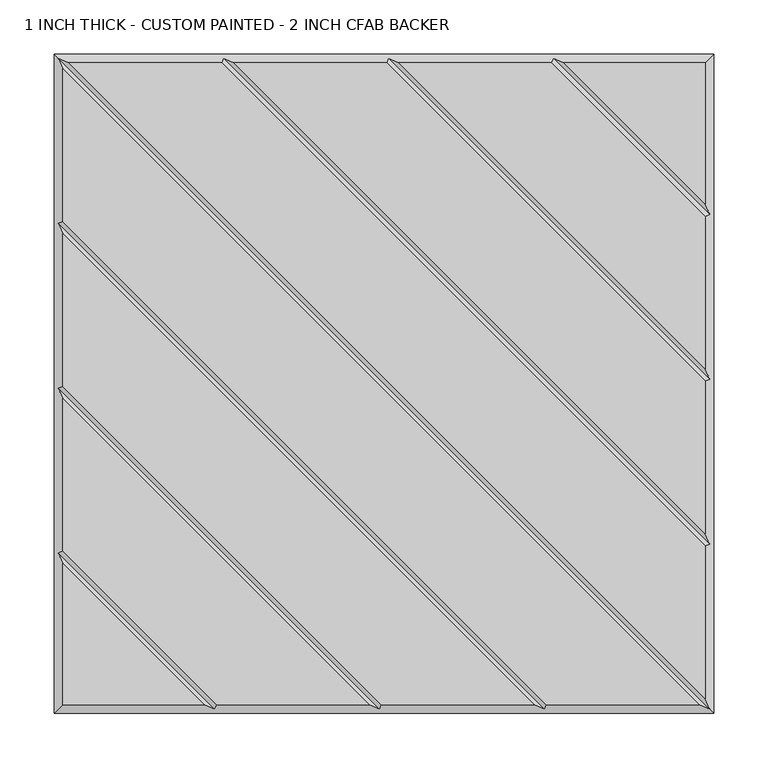
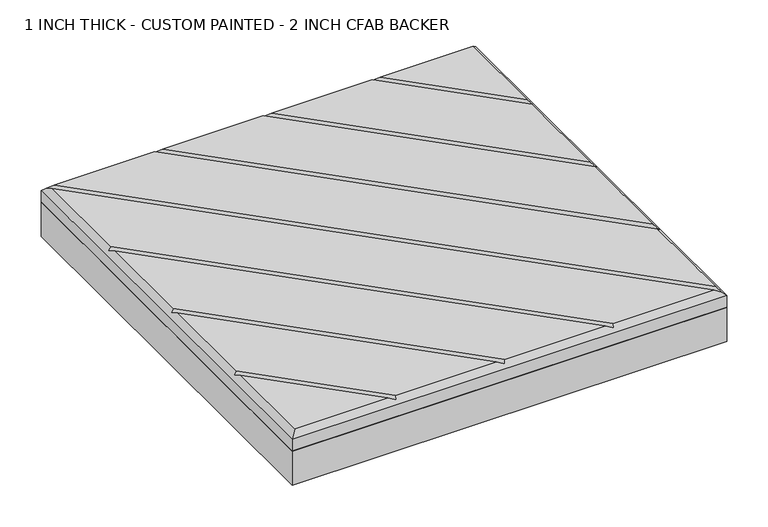
"""IFC4 building model written with IfcOpenShell, lengths in millimetres: proxy geometry, 1 INCH THICK - CUSTOM PAINTED - 2 INCH CFAB BACKER."""

import ifcopenshell
import ifcopenshell.guid

model = None  # the IFC model being written
_history = None  # IfcOwnerHistory: only IFC2X3 demands one
_inside = {}  # id of a spatial element -> (the spatial element, [elements in it])
_under = {}  # id of a project, library or spatial element -> (it, [spatial elements below it])
_declared = {}  # id of a project -> (the project, [libraries it declares])
_typed = {}  # id of a type object -> (the type object, [elements of that type])
_made_of = {}  # id of a material, layer set ... -> (it, [elements and type objects made of it])


def new_model(schema):
    """Start an empty IFC model of exactly this schema.

    Asked for "IFC4X3", IfcOpenShell would pick the latest addendum, in which some entities
    have other attributes; the version numbers below select the first issue.
    IFC2X3 requires an IfcOwnerHistory on every rooted entity: one is made here for all.
    """
    global model, _history
    if schema == "IFC4X3":
        model = ifcopenshell.file(schema_version=(4, 3, 0, 0))
    else:
        model = ifcopenshell.file(schema=schema)
    _inside.clear()
    _under.clear()
    _declared.clear()
    _typed.clear()
    _made_of.clear()
    _history = None
    if model.schema == "IFC2X3":
        org = make("IfcOrganization", Name="unknown")
        user = make(
            "IfcPersonAndOrganization",
            ThePerson=make("IfcPerson", FamilyName="unknown"),
            TheOrganization=org,
        )
        app = make(
            "IfcApplication",
            ApplicationDeveloper=org,
            Version="unknown",
            ApplicationFullName="unknown",
            ApplicationIdentifier="unknown",
        )
        _history = make(
            "IfcOwnerHistory",
            OwningUser=user,
            OwningApplication=app,
            ChangeAction="ADDED",
            CreationDate=0,
        )
    return model


def make(cls, **values):
    """One entity of the class cls with the attributes given. An attribute that is None is left unset."""
    return model.create_entity(
        cls, **{name: value for name, value in values.items() if value is not None}
    )


def rooted(cls, **values):
    """An entity with a GlobalId (a new one), such as an element, a storey or a relation."""
    return make(cls, GlobalId=ifcopenshell.guid.new(), OwnerHistory=_history, **values)


def si_unit(unit_type, name, prefix=None):
    """IfcSIUnit, for example si_unit("LENGTHUNIT", "METRE", prefix="MILLI")."""
    return make("IfcSIUnit", UnitType=unit_type, Prefix=prefix, Name=name)


def assignment(units):
    """IfcUnitAssignment: the units of a project."""
    return None if units is None else make("IfcUnitAssignment", Units=units)


def point(xyz):
    """IfcCartesianPoint."""
    return None if xyz is None else make("IfcCartesianPoint", Coordinates=xyz)


def direction(xyz):
    """IfcDirection."""
    return None if xyz is None else make("IfcDirection", DirectionRatios=xyz)


def frame(location, z_axis=None, x_axis=None):
    """IfcAxis2Placement3D, a coordinate frame: its origin and axes. An axis left out is left unset."""
    return make(
        "IfcAxis2Placement3D",
        Location=point(location),
        Axis=direction(z_axis),
        RefDirection=direction(x_axis),
    )


def origin():
    """The frame at (0, 0, 0) with its axes left unset."""
    return frame((0.0, 0.0, 0.0))


def place(relative_to, where):
    """IfcLocalPlacement: puts the frame where relative to a parent placement (None: the world)."""
    return make(
        "IfcLocalPlacement", PlacementRelTo=relative_to, RelativePlacement=where
    )


def context(
    kind, dimensions, precision=None, world=None, true_north=None, identifier=None
):
    """IfcGeometricRepresentationContext, for example the 3D "Model" context."""
    return make(
        "IfcGeometricRepresentationContext",
        ContextIdentifier=identifier,
        ContextType=kind,
        CoordinateSpaceDimension=dimensions,
        Precision=precision,
        WorldCoordinateSystem=world,
        TrueNorth=true_north,
    )


def project(units=None, contexts=None):
    """IfcProject with its units and contexts."""
    return rooted(
        "IfcProject",
        Name="project",
        RepresentationContexts=contexts,
        UnitsInContext=assignment(units),
    )


def spatial(cls, under=None, at=None, **own):
    """A site, building, storey or space (cls), placed at a placement, below another one or the project."""
    s = rooted(cls, ObjectPlacement=at, **own)
    if under is not None:
        _under.setdefault(under.id(), (under, []))[1].append(s)
    return s


def polyline(points):
    """IfcPolyline through the points."""
    return make("IfcPolyline", Points=[point(p) for p in points])


def outline(outer, holes=None, kind="AREA"):
    """IfcArbitraryClosedProfileDef: a profile drawn as a closed curve; with holes, ...WithVoids."""
    if holes is None:
        return make("IfcArbitraryClosedProfileDef", ProfileType=kind, OuterCurve=outer)
    return make(
        "IfcArbitraryProfileDefWithVoids",
        ProfileType=kind,
        OuterCurve=outer,
        InnerCurves=holes,
    )


def extrude(swept, where, along, depth):
    """IfcExtrudedAreaSolid: the profile swept, set in the frame where, extruded along a direction by depth."""
    return make(
        "IfcExtrudedAreaSolid",
        SweptArea=swept,
        Position=where,
        ExtrudedDirection=direction(along),
        Depth=depth,
    )


def faces_of(points, faces, orient=None, outer=None):
    """IfcFace entities. A face is a list of loops; a loop is a list of indices into points, from 0.

    orient and outer hold one flag for each loop. By default every Orientation is true, the
    first loop of a face is its IfcFaceOuterBound and the others are IfcFaceBound.
    """
    made = []
    for i, loops in enumerate(faces):
        bounds = []
        for j, loop in enumerate(loops):
            is_outer = j == 0 if outer is None else outer[i][j]
            bounds.append(
                make(
                    "IfcFaceOuterBound" if is_outer else "IfcFaceBound",
                    Bound=make("IfcPolyLoop", Polygon=[points[k] for k in loop]),
                    Orientation=True if orient is None else orient[i][j],
                )
            )
        made.append(make("IfcFace", Bounds=bounds))
    return made


def faceted_brep(points, faces, orient=None, outer=None, voids=None):
    """IfcFacetedBrep: a solid bounded by flat faces; with voids (closed shells), ...WithVoids."""
    shared = [point(p) for p in points]
    hull = make("IfcClosedShell", CfsFaces=faces_of(shared, faces, orient, outer))
    if voids is None:
        return make("IfcFacetedBrep", Outer=hull)
    return make(
        "IfcFacetedBrepWithVoids",
        Outer=hull,
        Voids=[
            make(cls, CfsFaces=faces_of(shared, fs, o, b)) for cls, fs, o, b in voids
        ],
    )


def shape(context_of_items, identifier, shape_type, items):
    """IfcShapeRepresentation: the items that make up one representation, for example the "Body"."""
    return make(
        "IfcShapeRepresentation",
        ContextOfItems=context_of_items,
        RepresentationIdentifier=identifier,
        RepresentationType=shape_type,
        Items=items,
    )


def source(mapping_origin, context_of_items, identifier, shape_type, items):
    """IfcRepresentationMap: a shape defined once, which mapped items show again and again."""
    return make(
        "IfcRepresentationMap",
        MappingOrigin=mapping_origin,
        MappedRepresentation=shape(context_of_items, identifier, shape_type, items),
    )


def transform(
    local_origin,
    x_axis=None,
    y_axis=None,
    z_axis=None,
    scale=None,
    scale2=None,
    scale3=None,
    uniform=True,
):
    """IfcCartesianTransformationOperator3D, or its non-uniform kind. x_axis, y_axis, z_axis: its Axis1, 2, 3."""
    if uniform:
        return make(
            "IfcCartesianTransformationOperator3D",
            Axis1=direction(x_axis),
            Axis2=direction(y_axis),
            LocalOrigin=point(local_origin),
            Scale=scale,
            Axis3=direction(z_axis),
        )
    return make(
        "IfcCartesianTransformationOperator3DnonUniform",
        Axis1=direction(x_axis),
        Axis2=direction(y_axis),
        LocalOrigin=point(local_origin),
        Scale=scale,
        Axis3=direction(z_axis),
        Scale2=scale2,
        Scale3=scale3,
    )


def mapped(mapping_source, mapping_target):
    """IfcMappedItem: shows the shape of a source again, moved by a transform."""
    return make(
        "IfcMappedItem", MappingSource=mapping_source, MappingTarget=mapping_target
    )


def made_of(thing, what):
    """Note that an element or type object is made of a material, layer set ...; save() writes the relation."""
    if what is not None:
        _made_of.setdefault(what.id(), (what, []))[1].append(thing)
    return thing


def element(
    cls,
    number,
    at=None,
    inside=None,
    cuts=None,
    type_object=None,
    material=None,
    context=None,
    identifier="Body",
    shape_type=None,
    held_by="IfcProductDefinitionShape",
    body=None,
    shapes=None,
    **own,
):
    """One element of the class cls, such as IfcWall. Its Tag is "e" and its number.

    at: its placement. inside: the storey or other place that contains it. cuts: it is an
    opening in that element (IfcRelVoidsElement). A single representation is given by context,
    identifier, shape_type and body (its items); several are given by shapes. held_by: the class
    of the entity that holds the representations. save() writes the other relations.
    """
    e = rooted(cls, Tag="e%d" % number, ObjectPlacement=at, **own)
    if body is not None:
        shapes = [shape(context, identifier, shape_type, body)]
    if shapes is not None:
        e.Representation = make(held_by, Representations=shapes)
    if inside is not None:
        _inside.setdefault(inside.id(), (inside, []))[1].append(e)
    if cuts is not None:
        rooted(
            "IfcRelVoidsElement", RelatingBuildingElement=cuts, RelatedOpeningElement=e
        )
    if type_object is not None:
        _typed.setdefault(type_object.id(), (type_object, []))[1].append(e)
    return made_of(e, material)


def aggregate(whole, parts):
    """IfcRelAggregates: a whole, such as a stair, and the parts it consists of."""
    return rooted("IfcRelAggregates", RelatingObject=whole, RelatedObjects=parts)


def save(model, path):
    """Write the relations noted so far, then the file.

    IfcRelAggregates (storeys below a building ...), IfcRelContainedInSpatialStructure (elements
    in a storey), IfcRelDefinesByType, IfcRelAssociatesMaterial and IfcRelDeclares: one each for
    every whole, place, type object, material and project.
    """
    for whole, parts in _under.values():
        aggregate(whole, parts)
    for where, things in _inside.values():
        rooted(
            "IfcRelContainedInSpatialStructure",
            RelatedElements=things,
            RelatingStructure=where,
        )
    for kind, things in _typed.values():
        rooted("IfcRelDefinesByType", RelatedObjects=things, RelatingType=kind)
    for what, things in _made_of.values():
        rooted("IfcRelAssociatesMaterial", RelatedObjects=things, RelatingMaterial=what)
    for by, libraries in _declared.values():
        rooted("IfcRelDeclares", RelatingContext=by, RelatedDefinitions=libraries)
    model.write(path)


def proxy_1_inch_thick_custom_painted_2_inch_cfab_backer_6645e7d0(model_context):
    return source(origin(), model_context, "Body", "SolidModel", [
        extrude(outline(polyline([(-304.8, 304.8), (304.8, 304.8), (304.8, -304.8), (-304.8, -304.8), (-304.8, 304.8)])), frame((0.0, 0.0, -50.8), z_axis=(0.0, 0.0, 1.0), x_axis=(1.0, 0.0, 0.0)), (0.0, 0.0, 1.0), 50.8),
        faceted_brep([(-291.1414386, 296.799, 25.4), (296.799, -291.1414386, 25.4), (296.799, -150.0565868, 25.4), (-150.0565868, 296.799, 25.4), (291.1414386, -296.799, 25.4), (-296.799, 291.1414386, 25.4), (-296.799, 150.0565868, 25.4), (150.0565868, -296.799, 25.4), (138.741464, -296.799, 25.4), (-296.799, 138.741464, 25.4), (-296.799, -2.3434132, 25.4), (-2.3434132, -296.799, 25.4), (-13.658536, -296.799, 25.4), (-296.799, -13.658536, 25.4), (-296.799, -154.7434132, 25.4), (-154.7434132, -296.799, 25.4), (-296.799, -166.058536, 25.4), (-296.799, -296.799, 25.4), (-166.058536, -296.799, 25.4), (-138.741464, 296.799, 25.4), (296.799, -138.741464, 25.4), (296.799, 2.3434132, 25.4), (2.3434132, 296.799, 25.4), (13.658536, 296.799, 25.4), (296.799, 13.658536, 25.4), (296.799, 154.7434132, 25.4), (154.7434132, 296.799, 25.4), (296.799, 296.799, 25.4), (166.058536, 296.799, 25.4), (296.799, 166.058536, 25.4), (-304.8, 304.8, 0.0), (304.8, 304.8, 0.0), (304.8, -304.8, 0.0), (-304.8, -304.8, 0.0), (-304.8, -304.8, 17.399), (-304.8, 304.8, 17.399), (304.8, -304.8, 17.399), (304.8, 304.8, 17.399), (-300.7995, 300.7995, 21.3995), (-148.3995254, 300.7995, 21.3995), (4.0004746, 300.7995, 21.3995), (156.4004746, 300.7995, 21.3995), (-300.7995, -156.4004746, 21.3995), (-300.7995, -4.0004746, 21.3995), (-300.7995, 148.3995254, 21.3995), (300.7995, -300.7995, 21.3995), (148.3995254, -300.7995, 21.3995), (-4.0004746, -300.7995, 21.3995), (-156.4004746, -300.7995, 21.3995), (300.7995, 156.4004746, 21.3995), (300.7995, 4.0004746, 21.3995), (300.7995, -148.3995254, 21.3995)], [[[0, 1, 2, 3]], [[4, 5, 6, 7]], [[8, 9, 10, 11]], [[12, 13, 14, 15]], [[16, 17, 18]], [[19, 20, 21, 22]], [[23, 24, 25, 26]], [[27, 28, 29]], [[30, 31, 32, 33]], [[30, 33, 34, 35]], [[33, 32, 36, 34]], [[32, 31, 37, 36]], [[31, 30, 35, 37]], [[27, 37, 35, 38, 0, 3, 39, 19, 22, 40, 23, 26, 41, 28]], [[34, 17, 16, 42, 14, 13, 43, 10, 9, 44, 6, 5, 38, 35]], [[17, 34, 36, 45, 4, 7, 46, 8, 11, 47, 12, 15, 48, 18]], [[37, 27, 29, 49, 25, 24, 50, 21, 20, 51, 2, 1, 45, 36]], [[38, 45, 1, 0]], [[45, 38, 5, 4]], [[44, 46, 7, 6]], [[46, 44, 9, 8]], [[43, 47, 11, 10]], [[47, 43, 13, 12]], [[42, 48, 15, 14]], [[48, 42, 16, 18]], [[51, 39, 3, 2]], [[39, 51, 20, 19]], [[50, 40, 22, 21]], [[40, 50, 24, 23]], [[49, 41, 26, 25]], [[41, 49, 29, 28]]]),
    ])


if __name__ == "__main__":
    model = new_model("IFC4")
    model_context = context("Model", 3, world=origin())
    ifc_project = project(units=[si_unit("LENGTHUNIT", "METRE", prefix="MILLI")], contexts=[model_context])
    site = spatial("IfcSite", under=ifc_project)
    building = spatial("IfcBuilding", under=site)
    placement = place(None, origin())
    proxy_1_inch_thick_custom_painted_2_inch_cfab_backer_shape = proxy_1_inch_thick_custom_painted_2_inch_cfab_backer_6645e7d0(model_context)
    element("IfcBuildingElementProxy", 1, Name="1 INCH THICK - CUSTOM PAINTED - 2 INCH CFAB BACKER", ObjectType="1 INCH THICK - CUSTOM PAINTED - 2 INCH CFAB BACKER", at=placement, inside=building, context=model_context, shape_type="MappedRepresentation", body=[
        mapped(proxy_1_inch_thick_custom_painted_2_inch_cfab_backer_shape, transform((0.0, 0.0, 0.0), x_axis=(1.0, 0.0, 0.0), y_axis=(0.0, 1.0, 0.0), z_axis=(0.0, 0.0, 1.0))),
    ])
    save(model, "model.ifc")
